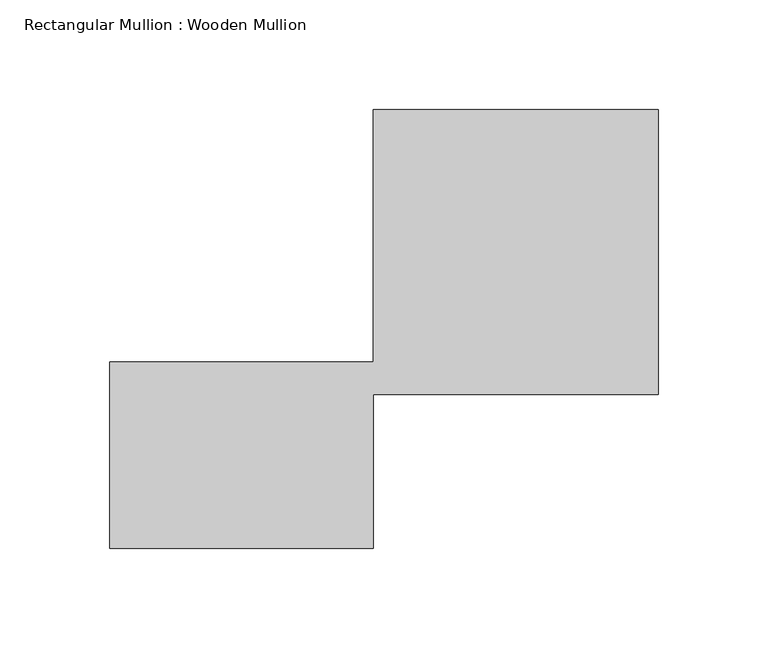
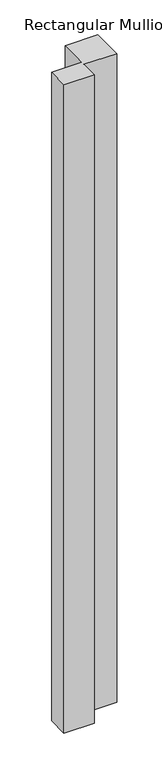
"""IFC4 building model written with IfcOpenShell, lengths in millimetres: member geometry, Rectangular Mullion : Wooden Mullion."""

import ifcopenshell
import ifcopenshell.guid

model = None  # the IFC model being written
_history = None  # IfcOwnerHistory: only IFC2X3 demands one
_inside = {}  # id of a spatial element -> (the spatial element, [elements in it])
_under = {}  # id of a project, library or spatial element -> (it, [spatial elements below it])
_declared = {}  # id of a project -> (the project, [libraries it declares])
_typed = {}  # id of a type object -> (the type object, [elements of that type])
_made_of = {}  # id of a material, layer set ... -> (it, [elements and type objects made of it])


def new_model(schema):
    """Start an empty IFC model of exactly this schema.

    Asked for "IFC4X3", IfcOpenShell would pick the latest addendum, in which some entities
    have other attributes; the version numbers below select the first issue.
    IFC2X3 requires an IfcOwnerHistory on every rooted entity: one is made here for all.
    """
    global model, _history
    if schema == "IFC4X3":
        model = ifcopenshell.file(schema_version=(4, 3, 0, 0))
    else:
        model = ifcopenshell.file(schema=schema)
    _inside.clear()
    _under.clear()
    _declared.clear()
    _typed.clear()
    _made_of.clear()
    _history = None
    if model.schema == "IFC2X3":
        org = make("IfcOrganization", Name="unknown")
        user = make(
            "IfcPersonAndOrganization",
            ThePerson=make("IfcPerson", FamilyName="unknown"),
            TheOrganization=org,
        )
        app = make(
            "IfcApplication",
            ApplicationDeveloper=org,
            Version="unknown",
            ApplicationFullName="unknown",
            ApplicationIdentifier="unknown",
        )
        _history = make(
            "IfcOwnerHistory",
            OwningUser=user,
            OwningApplication=app,
            ChangeAction="ADDED",
            CreationDate=0,
        )
    return model


def make(cls, **values):
    """One entity of the class cls with the attributes given. An attribute that is None is left unset."""
    return model.create_entity(
        cls, **{name: value for name, value in values.items() if value is not None}
    )


def rooted(cls, **values):
    """An entity with a GlobalId (a new one), such as an element, a storey or a relation."""
    return make(cls, GlobalId=ifcopenshell.guid.new(), OwnerHistory=_history, **values)


def si_unit(unit_type, name, prefix=None):
    """IfcSIUnit, for example si_unit("LENGTHUNIT", "METRE", prefix="MILLI")."""
    return make("IfcSIUnit", UnitType=unit_type, Prefix=prefix, Name=name)


def assignment(units):
    """IfcUnitAssignment: the units of a project."""
    return None if units is None else make("IfcUnitAssignment", Units=units)


def point(xyz):
    """IfcCartesianPoint."""
    return None if xyz is None else make("IfcCartesianPoint", Coordinates=xyz)


def direction(xyz):
    """IfcDirection."""
    return None if xyz is None else make("IfcDirection", DirectionRatios=xyz)


def frame(location, z_axis=None, x_axis=None):
    """IfcAxis2Placement3D, a coordinate frame: its origin and axes. An axis left out is left unset."""
    return make(
        "IfcAxis2Placement3D",
        Location=point(location),
        Axis=direction(z_axis),
        RefDirection=direction(x_axis),
    )


def origin():
    """The frame at (0, 0, 0) with its axes left unset."""
    return frame((0.0, 0.0, 0.0))


def place(relative_to, where):
    """IfcLocalPlacement: puts the frame where relative to a parent placement (None: the world)."""
    return make(
        "IfcLocalPlacement", PlacementRelTo=relative_to, RelativePlacement=where
    )


def context(
    kind, dimensions, precision=None, world=None, true_north=None, identifier=None
):
    """IfcGeometricRepresentationContext, for example the 3D "Model" context."""
    return make(
        "IfcGeometricRepresentationContext",
        ContextIdentifier=identifier,
        ContextType=kind,
        CoordinateSpaceDimension=dimensions,
        Precision=precision,
        WorldCoordinateSystem=world,
        TrueNorth=true_north,
    )


def project(units=None, contexts=None):
    """IfcProject with its units and contexts."""
    return rooted(
        "IfcProject",
        Name="project",
        RepresentationContexts=contexts,
        UnitsInContext=assignment(units),
    )


def spatial(cls, under=None, at=None, **own):
    """A site, building, storey or space (cls), placed at a placement, below another one or the project."""
    s = rooted(cls, ObjectPlacement=at, **own)
    if under is not None:
        _under.setdefault(under.id(), (under, []))[1].append(s)
    return s


def polyline(points):
    """IfcPolyline through the points."""
    return make("IfcPolyline", Points=[point(p) for p in points])


def outline(outer, holes=None, kind="AREA"):
    """IfcArbitraryClosedProfileDef: a profile drawn as a closed curve; with holes, ...WithVoids."""
    if holes is None:
        return make("IfcArbitraryClosedProfileDef", ProfileType=kind, OuterCurve=outer)
    return make(
        "IfcArbitraryProfileDefWithVoids",
        ProfileType=kind,
        OuterCurve=outer,
        InnerCurves=holes,
    )


def extrude(swept, where, along, depth):
    """IfcExtrudedAreaSolid: the profile swept, set in the frame where, extruded along a direction by depth."""
    return make(
        "IfcExtrudedAreaSolid",
        SweptArea=swept,
        Position=where,
        ExtrudedDirection=direction(along),
        Depth=depth,
    )


def shape(context_of_items, identifier, shape_type, items):
    """IfcShapeRepresentation: the items that make up one representation, for example the "Body"."""
    return make(
        "IfcShapeRepresentation",
        ContextOfItems=context_of_items,
        RepresentationIdentifier=identifier,
        RepresentationType=shape_type,
        Items=items,
    )


def source(mapping_origin, context_of_items, identifier, shape_type, items):
    """IfcRepresentationMap: a shape defined once, which mapped items show again and again."""
    return make(
        "IfcRepresentationMap",
        MappingOrigin=mapping_origin,
        MappedRepresentation=shape(context_of_items, identifier, shape_type, items),
    )


def transform(
    local_origin,
    x_axis=None,
    y_axis=None,
    z_axis=None,
    scale=None,
    scale2=None,
    scale3=None,
    uniform=True,
):
    """IfcCartesianTransformationOperator3D, or its non-uniform kind. x_axis, y_axis, z_axis: its Axis1, 2, 3."""
    if uniform:
        return make(
            "IfcCartesianTransformationOperator3D",
            Axis1=direction(x_axis),
            Axis2=direction(y_axis),
            LocalOrigin=point(local_origin),
            Scale=scale,
            Axis3=direction(z_axis),
        )
    return make(
        "IfcCartesianTransformationOperator3DnonUniform",
        Axis1=direction(x_axis),
        Axis2=direction(y_axis),
        LocalOrigin=point(local_origin),
        Scale=scale,
        Axis3=direction(z_axis),
        Scale2=scale2,
        Scale3=scale3,
    )


def mapped(mapping_source, mapping_target):
    """IfcMappedItem: shows the shape of a source again, moved by a transform."""
    return make(
        "IfcMappedItem", MappingSource=mapping_source, MappingTarget=mapping_target
    )


def made_of(thing, what):
    """Note that an element or type object is made of a material, layer set ...; save() writes the relation."""
    if what is not None:
        _made_of.setdefault(what.id(), (what, []))[1].append(thing)
    return thing


def element(
    cls,
    number,
    at=None,
    inside=None,
    cuts=None,
    type_object=None,
    material=None,
    context=None,
    identifier="Body",
    shape_type=None,
    held_by="IfcProductDefinitionShape",
    body=None,
    shapes=None,
    **own,
):
    """One element of the class cls, such as IfcWall. Its Tag is "e" and its number.

    at: its placement. inside: the storey or other place that contains it. cuts: it is an
    opening in that element (IfcRelVoidsElement). A single representation is given by context,
    identifier, shape_type and body (its items); several are given by shapes. held_by: the class
    of the entity that holds the representations. save() writes the other relations.
    """
    e = rooted(cls, Tag="e%d" % number, ObjectPlacement=at, **own)
    if body is not None:
        shapes = [shape(context, identifier, shape_type, body)]
    if shapes is not None:
        e.Representation = make(held_by, Representations=shapes)
    if inside is not None:
        _inside.setdefault(inside.id(), (inside, []))[1].append(e)
    if cuts is not None:
        rooted(
            "IfcRelVoidsElement", RelatingBuildingElement=cuts, RelatedOpeningElement=e
        )
    if type_object is not None:
        _typed.setdefault(type_object.id(), (type_object, []))[1].append(e)
    return made_of(e, material)


def aggregate(whole, parts):
    """IfcRelAggregates: a whole, such as a stair, and the parts it consists of."""
    return rooted("IfcRelAggregates", RelatingObject=whole, RelatedObjects=parts)


def save(model, path):
    """Write the relations noted so far, then the file.

    IfcRelAggregates (storeys below a building ...), IfcRelContainedInSpatialStructure (elements
    in a storey), IfcRelDefinesByType, IfcRelAssociatesMaterial and IfcRelDeclares: one each for
    every whole, place, type object, material and project.
    """
    for whole, parts in _under.values():
        aggregate(whole, parts)
    for where, things in _inside.values():
        rooted(
            "IfcRelContainedInSpatialStructure",
            RelatedElements=things,
            RelatingStructure=where,
        )
    for kind, things in _typed.values():
        rooted("IfcRelDefinesByType", RelatedObjects=things, RelatingType=kind)
    for what, things in _made_of.values():
        rooted("IfcRelAssociatesMaterial", RelatedObjects=things, RelatingMaterial=what)
    for by, libraries in _declared.values():
        rooted("IfcRelDeclares", RelatingContext=by, RelatedDefinitions=libraries)
    model.write(path)


def rectangular_mullion_wooden_mullion_2d28f443(model_context):
    return source(origin(), model_context, "Body", "SweptSolid", [
        extrude(outline(polyline([(74.8100006, -26.0137344), (-45.1899994, -26.0137344), (-45.1899994, 58.9862656), (74.8100006, 58.9862656), (74.8100006, 173.9862656), (204.8100006, 173.9862656), (204.8100006, 43.9862656), (74.8100006, 43.9862656), (74.8100006, -26.0137344)])), frame((0.0, 0.0, -2727.9265977), z_axis=(0.0, 0.0, 1.0), x_axis=(1.0, 0.0, 0.0)), (0.0, 0.0, 1.0), 2727.9265977),
    ])


if __name__ == "__main__":
    model = new_model("IFC4")
    model_context = context("Model", 3, world=origin())
    ifc_project = project(units=[si_unit("LENGTHUNIT", "METRE", prefix="MILLI")], contexts=[model_context])
    site = spatial("IfcSite", under=ifc_project)
    building = spatial("IfcBuilding", under=site)
    placement = place(None, origin())
    rectangular_mullion_wooden_mullion_shape = rectangular_mullion_wooden_mullion_2d28f443(model_context)
    element("IfcMember", 1, ObjectType="Rectangular Mullion : Wooden Mullion", at=placement, inside=building, context=model_context, shape_type="MappedRepresentation", body=[
        mapped(rectangular_mullion_wooden_mullion_shape, transform((0.0, 0.0, 0.0), x_axis=(1.0, 0.0, 0.0), y_axis=(0.0, 1.0, 0.0), z_axis=(0.0, 0.0, 1.0))),
    ])
    save(model, "model.ifc")
